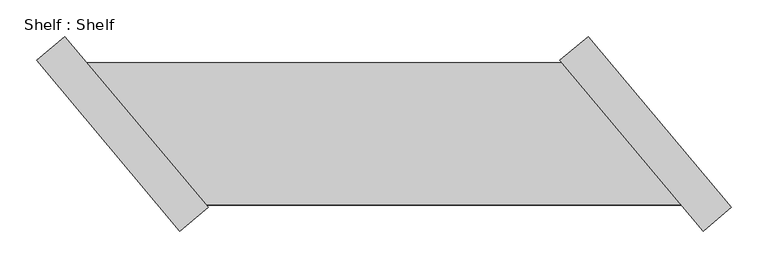
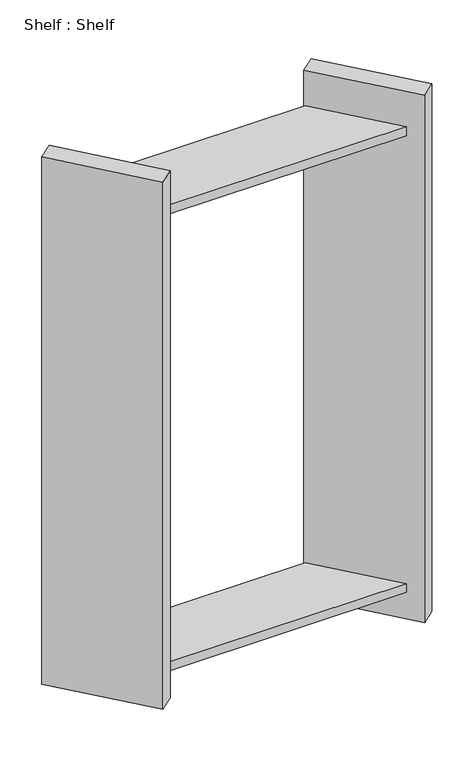
"""IFC4 building model written with IfcOpenShell, lengths in millimetres: proxy geometry, Shelf : Shelf."""

import ifcopenshell
import ifcopenshell.guid

model = None  # the IFC model being written
_history = None  # IfcOwnerHistory: only IFC2X3 demands one
_inside = {}  # id of a spatial element -> (the spatial element, [elements in it])
_under = {}  # id of a project, library or spatial element -> (it, [spatial elements below it])
_declared = {}  # id of a project -> (the project, [libraries it declares])
_typed = {}  # id of a type object -> (the type object, [elements of that type])
_made_of = {}  # id of a material, layer set ... -> (it, [elements and type objects made of it])


def new_model(schema):
    """Start an empty IFC model of exactly this schema.

    Asked for "IFC4X3", IfcOpenShell would pick the latest addendum, in which some entities
    have other attributes; the version numbers below select the first issue.
    IFC2X3 requires an IfcOwnerHistory on every rooted entity: one is made here for all.
    """
    global model, _history
    if schema == "IFC4X3":
        model = ifcopenshell.file(schema_version=(4, 3, 0, 0))
    else:
        model = ifcopenshell.file(schema=schema)
    _inside.clear()
    _under.clear()
    _declared.clear()
    _typed.clear()
    _made_of.clear()
    _history = None
    if model.schema == "IFC2X3":
        org = make("IfcOrganization", Name="unknown")
        user = make(
            "IfcPersonAndOrganization",
            ThePerson=make("IfcPerson", FamilyName="unknown"),
            TheOrganization=org,
        )
        app = make(
            "IfcApplication",
            ApplicationDeveloper=org,
            Version="unknown",
            ApplicationFullName="unknown",
            ApplicationIdentifier="unknown",
        )
        _history = make(
            "IfcOwnerHistory",
            OwningUser=user,
            OwningApplication=app,
            ChangeAction="ADDED",
            CreationDate=0,
        )
    return model


def make(cls, **values):
    """One entity of the class cls with the attributes given. An attribute that is None is left unset."""
    return model.create_entity(
        cls, **{name: value for name, value in values.items() if value is not None}
    )


def rooted(cls, **values):
    """An entity with a GlobalId (a new one), such as an element, a storey or a relation."""
    return make(cls, GlobalId=ifcopenshell.guid.new(), OwnerHistory=_history, **values)


def si_unit(unit_type, name, prefix=None):
    """IfcSIUnit, for example si_unit("LENGTHUNIT", "METRE", prefix="MILLI")."""
    return make("IfcSIUnit", UnitType=unit_type, Prefix=prefix, Name=name)


def assignment(units):
    """IfcUnitAssignment: the units of a project."""
    return None if units is None else make("IfcUnitAssignment", Units=units)


def point(xyz):
    """IfcCartesianPoint."""
    return None if xyz is None else make("IfcCartesianPoint", Coordinates=xyz)


def direction(xyz):
    """IfcDirection."""
    return None if xyz is None else make("IfcDirection", DirectionRatios=xyz)


def frame(location, z_axis=None, x_axis=None):
    """IfcAxis2Placement3D, a coordinate frame: its origin and axes. An axis left out is left unset."""
    return make(
        "IfcAxis2Placement3D",
        Location=point(location),
        Axis=direction(z_axis),
        RefDirection=direction(x_axis),
    )


def origin():
    """The frame at (0, 0, 0) with its axes left unset."""
    return frame((0.0, 0.0, 0.0))


def place(relative_to, where):
    """IfcLocalPlacement: puts the frame where relative to a parent placement (None: the world)."""
    return make(
        "IfcLocalPlacement", PlacementRelTo=relative_to, RelativePlacement=where
    )


def context(
    kind, dimensions, precision=None, world=None, true_north=None, identifier=None
):
    """IfcGeometricRepresentationContext, for example the 3D "Model" context."""
    return make(
        "IfcGeometricRepresentationContext",
        ContextIdentifier=identifier,
        ContextType=kind,
        CoordinateSpaceDimension=dimensions,
        Precision=precision,
        WorldCoordinateSystem=world,
        TrueNorth=true_north,
    )


def project(units=None, contexts=None):
    """IfcProject with its units and contexts."""
    return rooted(
        "IfcProject",
        Name="project",
        RepresentationContexts=contexts,
        UnitsInContext=assignment(units),
    )


def spatial(cls, under=None, at=None, **own):
    """A site, building, storey or space (cls), placed at a placement, below another one or the project."""
    s = rooted(cls, ObjectPlacement=at, **own)
    if under is not None:
        _under.setdefault(under.id(), (under, []))[1].append(s)
    return s


def faces_of(points, faces, orient=None, outer=None):
    """IfcFace entities. A face is a list of loops; a loop is a list of indices into points, from 0.

    orient and outer hold one flag for each loop. By default every Orientation is true, the
    first loop of a face is its IfcFaceOuterBound and the others are IfcFaceBound.
    """
    made = []
    for i, loops in enumerate(faces):
        bounds = []
        for j, loop in enumerate(loops):
            is_outer = j == 0 if outer is None else outer[i][j]
            bounds.append(
                make(
                    "IfcFaceOuterBound" if is_outer else "IfcFaceBound",
                    Bound=make("IfcPolyLoop", Polygon=[points[k] for k in loop]),
                    Orientation=True if orient is None else orient[i][j],
                )
            )
        made.append(make("IfcFace", Bounds=bounds))
    return made


def faceted_brep(points, faces, orient=None, outer=None, voids=None):
    """IfcFacetedBrep: a solid bounded by flat faces; with voids (closed shells), ...WithVoids."""
    shared = [point(p) for p in points]
    hull = make("IfcClosedShell", CfsFaces=faces_of(shared, faces, orient, outer))
    if voids is None:
        return make("IfcFacetedBrep", Outer=hull)
    return make(
        "IfcFacetedBrepWithVoids",
        Outer=hull,
        Voids=[
            make(cls, CfsFaces=faces_of(shared, fs, o, b)) for cls, fs, o, b in voids
        ],
    )


def shape(context_of_items, identifier, shape_type, items):
    """IfcShapeRepresentation: the items that make up one representation, for example the "Body"."""
    return make(
        "IfcShapeRepresentation",
        ContextOfItems=context_of_items,
        RepresentationIdentifier=identifier,
        RepresentationType=shape_type,
        Items=items,
    )


def source(mapping_origin, context_of_items, identifier, shape_type, items):
    """IfcRepresentationMap: a shape defined once, which mapped items show again and again."""
    return make(
        "IfcRepresentationMap",
        MappingOrigin=mapping_origin,
        MappedRepresentation=shape(context_of_items, identifier, shape_type, items),
    )


def transform(
    local_origin,
    x_axis=None,
    y_axis=None,
    z_axis=None,
    scale=None,
    scale2=None,
    scale3=None,
    uniform=True,
):
    """IfcCartesianTransformationOperator3D, or its non-uniform kind. x_axis, y_axis, z_axis: its Axis1, 2, 3."""
    if uniform:
        return make(
            "IfcCartesianTransformationOperator3D",
            Axis1=direction(x_axis),
            Axis2=direction(y_axis),
            LocalOrigin=point(local_origin),
            Scale=scale,
            Axis3=direction(z_axis),
        )
    return make(
        "IfcCartesianTransformationOperator3DnonUniform",
        Axis1=direction(x_axis),
        Axis2=direction(y_axis),
        LocalOrigin=point(local_origin),
        Scale=scale,
        Axis3=direction(z_axis),
        Scale2=scale2,
        Scale3=scale3,
    )


def mapped(mapping_source, mapping_target):
    """IfcMappedItem: shows the shape of a source again, moved by a transform."""
    return make(
        "IfcMappedItem", MappingSource=mapping_source, MappingTarget=mapping_target
    )


def made_of(thing, what):
    """Note that an element or type object is made of a material, layer set ...; save() writes the relation."""
    if what is not None:
        _made_of.setdefault(what.id(), (what, []))[1].append(thing)
    return thing


def element(
    cls,
    number,
    at=None,
    inside=None,
    cuts=None,
    type_object=None,
    material=None,
    context=None,
    identifier="Body",
    shape_type=None,
    held_by="IfcProductDefinitionShape",
    body=None,
    shapes=None,
    **own,
):
    """One element of the class cls, such as IfcWall. Its Tag is "e" and its number.

    at: its placement. inside: the storey or other place that contains it. cuts: it is an
    opening in that element (IfcRelVoidsElement). A single representation is given by context,
    identifier, shape_type and body (its items); several are given by shapes. held_by: the class
    of the entity that holds the representations. save() writes the other relations.
    """
    e = rooted(cls, Tag="e%d" % number, ObjectPlacement=at, **own)
    if body is not None:
        shapes = [shape(context, identifier, shape_type, body)]
    if shapes is not None:
        e.Representation = make(held_by, Representations=shapes)
    if inside is not None:
        _inside.setdefault(inside.id(), (inside, []))[1].append(e)
    if cuts is not None:
        rooted(
            "IfcRelVoidsElement", RelatingBuildingElement=cuts, RelatedOpeningElement=e
        )
    if type_object is not None:
        _typed.setdefault(type_object.id(), (type_object, []))[1].append(e)
    return made_of(e, material)


def aggregate(whole, parts):
    """IfcRelAggregates: a whole, such as a stair, and the parts it consists of."""
    return rooted("IfcRelAggregates", RelatingObject=whole, RelatedObjects=parts)


def save(model, path):
    """Write the relations noted so far, then the file.

    IfcRelAggregates (storeys below a building ...), IfcRelContainedInSpatialStructure (elements
    in a storey), IfcRelDefinesByType, IfcRelAssociatesMaterial and IfcRelDeclares: one each for
    every whole, place, type object, material and project.
    """
    for whole, parts in _under.values():
        aggregate(whole, parts)
    for where, things in _inside.values():
        rooted(
            "IfcRelContainedInSpatialStructure",
            RelatedElements=things,
            RelatingStructure=where,
        )
    for kind, things in _typed.values():
        rooted("IfcRelDefinesByType", RelatedObjects=things, RelatingType=kind)
    for what, things in _made_of.values():
        rooted("IfcRelAssociatesMaterial", RelatedObjects=things, RelatingMaterial=what)
    for by, libraries in _declared.values():
        rooted("IfcRelDeclares", RelatingContext=by, RelatedDefinitions=libraries)
    model.write(path)


def shelf_shelf_22401d67(model_context):
    return source(origin(), model_context, "Body", "Brep", [
        faceted_brep([(-510.6243669, 97.2938085, 1422.4), (-510.6243669, 97.2938085, 1397.0), (-1160.410676, 97.2938085, 1397.0), (-1160.410676, 97.2938085, 1422.4), (-347.3710077, -97.2938085, 1397.0), (-997.1573168, -97.2938085, 1397.0), (-347.3710077, -97.2938085, 1422.4), (-997.1573168, -97.2938085, 1422.4), (-474.3356967, 133.0779061, 0.0), (-278.4316657, -100.4272343, 0.0), (-317.3491891, -133.0779061, 0.0), (-513.2532201, 100.4272343, 0.0), (-278.4316657, -100.4272343, 1524.0), (-317.3491891, -133.0779061, 1524.0), (-474.3356967, 133.0779061, 1524.0), (-513.2532201, 100.4272343, 1524.0), (-347.3710077, -97.2938085, 76.2), (-510.6243669, 97.2938085, 76.2), (-510.6243669, 97.2938085, 101.6), (-347.3710077, -97.2938085, 101.6), (-997.1573168, -97.2938085, 76.2), (-1160.410676, 97.2938085, 76.2), (-997.1573168, -97.2938085, 101.6), (-1160.410676, 97.2938085, 101.6), (-1033.445987, -133.0779061, 0.0), (-1229.3500181, 100.4272343, 0.0), (-1190.4324947, 133.0779061, 0.0), (-994.5284636, -100.4272343, 0.0), (-994.5284636, -100.4272343, 1524.0), (-1033.445987, -133.0779061, 1524.0), (-1190.4324947, 133.0779061, 1524.0), (-1229.3500181, 100.4272343, 1524.0)], [[[0, 1, 2, 3]], [[1, 4, 5, 2]], [[4, 6, 7, 5]], [[6, 0, 3, 7]], [[8, 9, 10, 11]], [[10, 9, 12, 13]], [[13, 12, 14, 15]], [[8, 11, 15, 14]], [[11, 10, 13, 15], [1, 0, 6, 4], [16, 17, 18, 19]], [[9, 8, 14, 12]], [[17, 16, 20, 21]], [[16, 19, 22, 20]], [[19, 18, 23, 22]], [[18, 17, 21, 23]], [[24, 25, 26, 27]], [[24, 27, 28, 29]], [[29, 28, 30, 31]], [[26, 25, 31, 30]], [[27, 26, 30, 28], [3, 2, 5, 7], [21, 20, 22, 23]], [[25, 24, 29, 31]]]),
    ])


if __name__ == "__main__":
    model = new_model("IFC4")
    model_context = context("Model", 3, world=origin())
    ifc_project = project(units=[si_unit("LENGTHUNIT", "METRE", prefix="MILLI")], contexts=[model_context])
    site = spatial("IfcSite", under=ifc_project)
    building = spatial("IfcBuilding", under=site)
    placement = place(None, origin())
    shelf_shelf_shape = shelf_shelf_22401d67(model_context)
    element("IfcBuildingElementProxy", 1, Name="Shelf : Shelf", ObjectType="Shelf : Shelf", at=placement, inside=building, context=model_context, shape_type="MappedRepresentation", body=[
        mapped(shelf_shelf_shape, transform((0.0, 0.0, 0.0), x_axis=(1.0, 0.0, 0.0), y_axis=(0.0, 1.0, 0.0), z_axis=(0.0, 0.0, 1.0))),
    ])
    save(model, "model.ifc")
